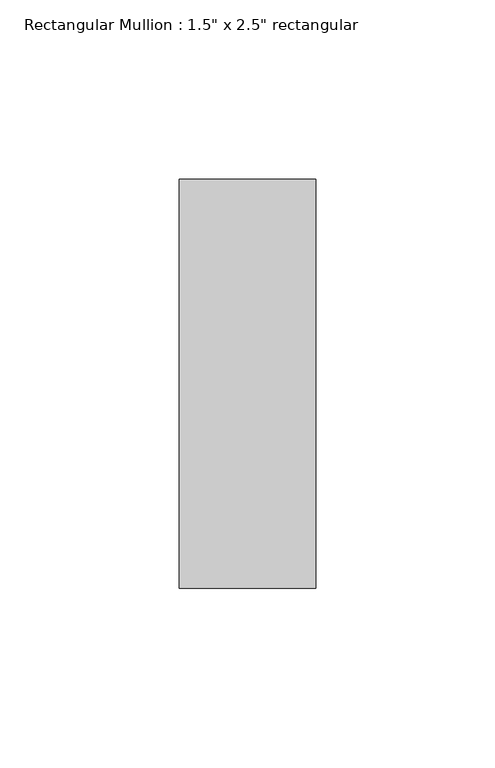
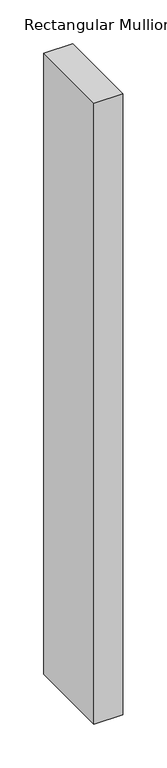
"""IFC4 building model written with IfcOpenShell, lengths in millimetres: member geometry."""

from ifc_helpers import new_model, si_unit, frame, origin, place, context, project, spatial, polyline, outline, extrude, source, transform, mapped, element, save


def member_e7695bb4(model_context):
    return source(origin(), model_context, "Body", "SweptSolid", [
        extrude(outline(polyline([(0.0, 57.15), (0.0, -57.15), (-38.1, -57.15), (-38.1, 57.15), (0.0, 57.15)])), frame((0.0, 0.0, -864.3419147), z_axis=(0.0, 0.0, 1.0), x_axis=(1.0, 0.0, 0.0)), (0.0, 0.0, 1.0), 864.3419147),
    ])


if __name__ == "__main__":
    model = new_model("IFC4")
    model_context = context("Model", 3, world=origin())
    ifc_project = project(units=[si_unit("LENGTHUNIT", "METRE", prefix="MILLI")], contexts=[model_context])
    site = spatial("IfcSite", under=ifc_project)
    building = spatial("IfcBuilding", under=site)
    placement = place(None, origin())
    member_shape = member_e7695bb4(model_context)
    element("IfcMember", 1, ObjectType="Rectangular Mullion : 1.5\" x 2.5\" rectangular", at=placement, inside=building, context=model_context, shape_type="MappedRepresentation", body=[
        mapped(member_shape, transform((0.0, 0.0, 0.0), x_axis=(1.0, 0.0, 0.0), y_axis=(0.0, 1.0, 0.0), z_axis=(0.0, 0.0, 1.0))),
    ])
    save(model, "model.ifc")
